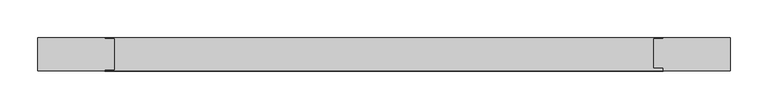
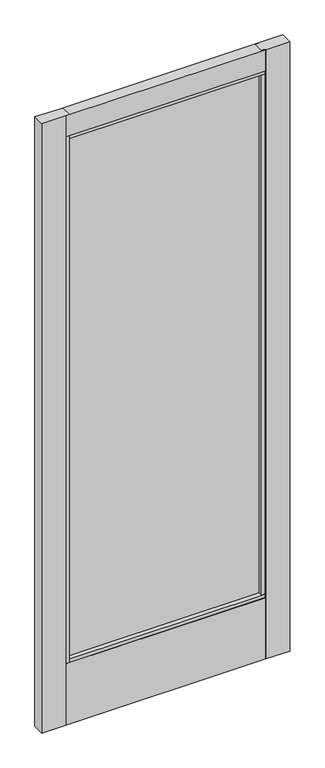
"""IFC4 building model written with IfcOpenShell, lengths in millimetres: plate geometry."""

from ifc_helpers import new_model, si_unit, frame, origin, place, context, project, spatial, polyline, outline, extrude, source, transform, mapped, element, save


def plate_47592063(model_context):
    return source(origin(), model_context, "Body", "SweptSolid", [
        extrude(outline(polyline([(-461.3827987, 57.15), (-371.6757581, 57.15), (-371.6757581, 55.5901195), (-358.9757581, 55.5901195), (-358.9757581, 14.5695416), (-371.6757581, 14.5695416), (-371.6757581, 12.7), (-461.3827987, 12.7), (-461.3827987, 57.15)])), frame((0.0, 0.0, 17.4625), z_axis=(0.0, 0.0, 1.0), x_axis=(1.0, 0.0, 0.0)), (0.0, 0.0, 1.0), 2398.2844027),
        extrude(outline(polyline([(-367.3672944, 31.9633145), (-367.3672944, 38.3133145), (363.7669209, 38.3133145), (363.7669209, 31.9633145), (-367.3672944, 31.9633145)])), frame((0.0, 0.0, 263.906), z_axis=(0.0, 0.0, 1.0), x_axis=(1.0, 0.0, 0.0)), (0.0, 0.0, 1.0), 2064.5284027),
        extrude(outline(polyline([(461.3827987, 57.15), (461.3827987, 12.7), (371.6858784, 12.7), (371.6858784, 16.8052032), (358.9858784, 16.8052032), (358.9858784, 55.5901195), (371.6858784, 55.5901195), (371.6858784, 57.15), (461.3827987, 57.15)])), frame((0.0, 0.0, 17.4625), z_axis=(0.0, 0.0, 1.0), x_axis=(1.0, 0.0, 0.0)), (0.0, 0.0, 1.0), 2398.2844027),
        extrude(outline(polyline([(12.7, 2415.7469027), (57.15, 2415.7469027), (57.15, 2333.1996967), (55.5901195, 2333.1996967), (55.5901195, 2320.4969027), (14.5695416, 2320.4969027), (14.5695416, 2333.1996967), (12.7, 2333.1996967), (12.7, 2415.7469027)])), frame((-371.6757581, 0.0, 0.0), z_axis=(1.0, 0.0, 0.0), x_axis=(0.0, 1.0, 0.0)), (0.0, 0.0, 1.0), 743.3616365),
        extrude(outline(polyline([(14.5695416, 271.4298836), (55.5901195, 271.4298836), (55.5901195, 258.7303916), (57.15, 258.7303916), (57.15, 17.4625), (12.7, 17.4625), (12.7, 258.7303916), (14.5695416, 258.7303916), (14.5695416, 271.4298836)])), frame((-371.6757581, 0.0, 0.0), z_axis=(1.0, 0.0, 0.0), x_axis=(0.0, 1.0, 0.0)), (0.0, 0.0, 1.0), 743.3616365),
    ])


if __name__ == "__main__":
    model = new_model("IFC4")
    model_context = context("Model", 3, world=origin())
    ifc_project = project(units=[si_unit("LENGTHUNIT", "METRE", prefix="MILLI")], contexts=[model_context])
    site = spatial("IfcSite", under=ifc_project)
    building = spatial("IfcBuilding", under=site)
    placement = place(None, origin())
    plate_shape = plate_47592063(model_context)
    element("IfcPlate", 1, at=placement, inside=building, context=model_context, shape_type="MappedRepresentation", body=[
        mapped(plate_shape, transform((0.0, 0.0, 0.0), x_axis=(1.0, 0.0, 0.0), y_axis=(0.0, 1.0, 0.0), z_axis=(0.0, 0.0, 1.0))),
    ])
    save(model, "model.ifc")
